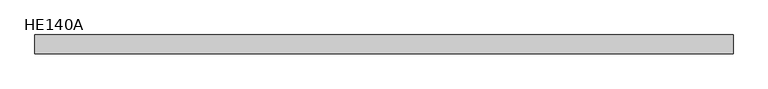
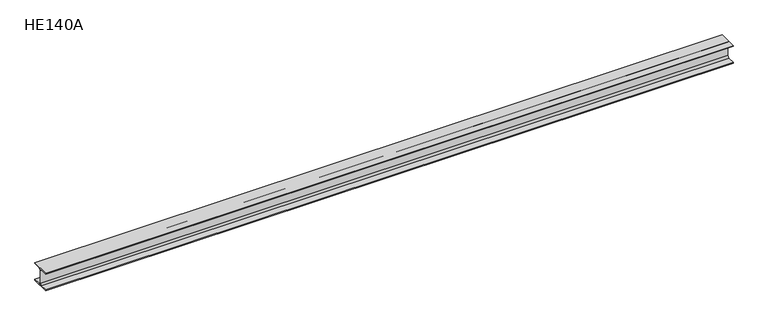
"""IFC4 building model written with IfcOpenShell, lengths in millimetres: beam geometry, HE140A."""

from ifc_helpers import new_model, si_unit, point, frame, frame_2d, origin, place, context, project, spatial, polyline, circle_curve, trimmed, segment, composite_curve, outline, extrude, source, transform, mapped, element, save


def he140a_64ca75b8(model_context):
    return source(origin(), model_context, "Body", "SweptSolid", [
        extrude(outline(composite_curve([segment(polyline([(70.0, -63.0), (70.0, -70.0), (-70.0, -70.0), (-70.0, -63.0), (-15.0, -63.0)]), True, "CONTINUOUS"), segment(trimmed(circle_curve(frame_2d((-15.0, -50.0)), 13.0), [point((-15.0, -63.0))], [point((-2.0, -50.0))], True, "CARTESIAN"), True, "CONTINUOUS"), segment(polyline([(-2.0, -50.0), (-2.0, 50.0)]), True, "CONTINUOUS"), segment(trimmed(circle_curve(frame_2d((-15.0, 50.0)), 13.0), [point((-2.0, 50.0))], [point((-15.0, 63.0))], True, "CARTESIAN"), True, "CONTINUOUS"), segment(polyline([(-15.0, 63.0), (-70.0, 63.0), (-70.0, 70.0), (70.0, 70.0), (70.0, 63.0), (15.0, 63.0)]), True, "CONTINUOUS"), segment(trimmed(circle_curve(frame_2d((15.0, 50.0)), 13.0), [point((15.0, 63.0))], [point((2.0, 50.0))], True, "CARTESIAN"), True, "CONTINUOUS"), segment(polyline([(2.0, 50.0), (2.0, -50.0)]), True, "CONTINUOUS"), segment(trimmed(circle_curve(frame_2d((15.0, -50.0)), 13.0), [point((2.0, -50.0))], [point((15.0, -63.0))], True, "CARTESIAN"), True, "CONTINUOUS"), segment(polyline([(15.0, -63.0), (70.0, -63.0)]), True, "CONTINUOUS")], self_intersect=False)), frame((-2597.5, 0.0, 0.0), z_axis=(1.0, 0.0, 0.0), x_axis=(0.0, 1.0, 0.0)), (0.0, 0.0, 1.0), 5195.0),
    ])


if __name__ == "__main__":
    model = new_model("IFC4")
    model_context = context("Model", 3, world=origin())
    ifc_project = project(units=[si_unit("LENGTHUNIT", "METRE", prefix="MILLI")], contexts=[model_context])
    site = spatial("IfcSite", under=ifc_project)
    building = spatial("IfcBuilding", under=site)
    placement = place(None, origin())
    he140a_shape = he140a_64ca75b8(model_context)
    element("IfcBeam", 1, ObjectType="HE140A", at=placement, inside=building, context=model_context, shape_type="MappedRepresentation", body=[
        mapped(he140a_shape, transform((0.0, 0.0, 0.0), x_axis=(1.0, 0.0, 0.0), y_axis=(0.0, 1.0, 0.0), z_axis=(0.0, 0.0, 1.0))),
    ])
    save(model, "model.ifc")
